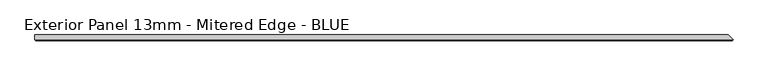
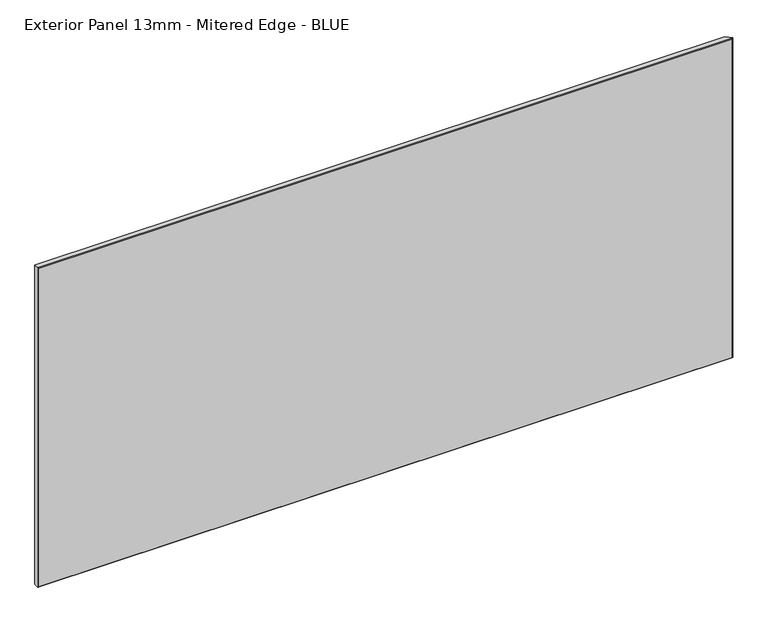
"""IFC4 building model written with IfcOpenShell, lengths in millimetres: proxy geometry, Exterior Panel 13mm - Mitered Edge - BLUE."""

from ifc_helpers import new_model, si_unit, origin, place, context, project, spatial, faceted_brep, source, transform, mapped, element, save


def exterior_panel_13mm_mitered_edge_blue_95e71f8e(model_context):
    return source(origin(), model_context, "Body", "Brep", [
        faceted_brep([(1087.4375, 6.35, 757.2375), (-457.2, 6.35, 757.2375), (-457.2, -4.7625, 757.2375), (1098.55, -4.7625, 757.2375), (1087.4375, 6.35, 0.0), (1098.55, -4.7625, 0.0), (-457.2, -4.7625, 0.0), (-457.2, 6.35, 0.0), (-455.6125, -6.35, 755.65), (-455.6125, -6.35, 1.5875), (1096.9625, -6.35, 1.5875), (1096.9625, -6.35, 755.65)], [[[0, 1, 2, 3]], [[4, 5, 6, 7]], [[1, 0, 4, 7]], [[2, 1, 7, 6]], [[8, 9, 10, 11]], [[2, 6, 9, 8]], [[5, 3, 11, 10]], [[3, 2, 8, 11]], [[6, 5, 10, 9]], [[0, 3, 5, 4]]]),
    ])


if __name__ == "__main__":
    model = new_model("IFC4")
    model_context = context("Model", 3, world=origin())
    ifc_project = project(units=[si_unit("LENGTHUNIT", "METRE", prefix="MILLI")], contexts=[model_context])
    site = spatial("IfcSite", under=ifc_project)
    building = spatial("IfcBuilding", under=site)
    placement = place(None, origin())
    exterior_panel_13mm_mitered_edge_blue_shape = exterior_panel_13mm_mitered_edge_blue_95e71f8e(model_context)
    element("IfcBuildingElementProxy", 1, Name="Exterior Panel 13mm - Mitered Edge - BLUE", ObjectType="Exterior Panel 13mm - Mitered Edge - BLUE", at=placement, inside=building, context=model_context, shape_type="MappedRepresentation", body=[
        mapped(exterior_panel_13mm_mitered_edge_blue_shape, transform((0.0, 0.0, 0.0), x_axis=(1.0, 0.0, 0.0), y_axis=(0.0, 1.0, 0.0), z_axis=(0.0, 0.0, 1.0))),
    ])
    save(model, "model.ifc")
